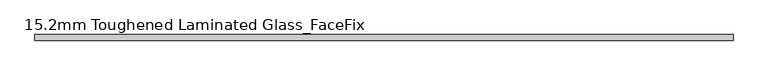
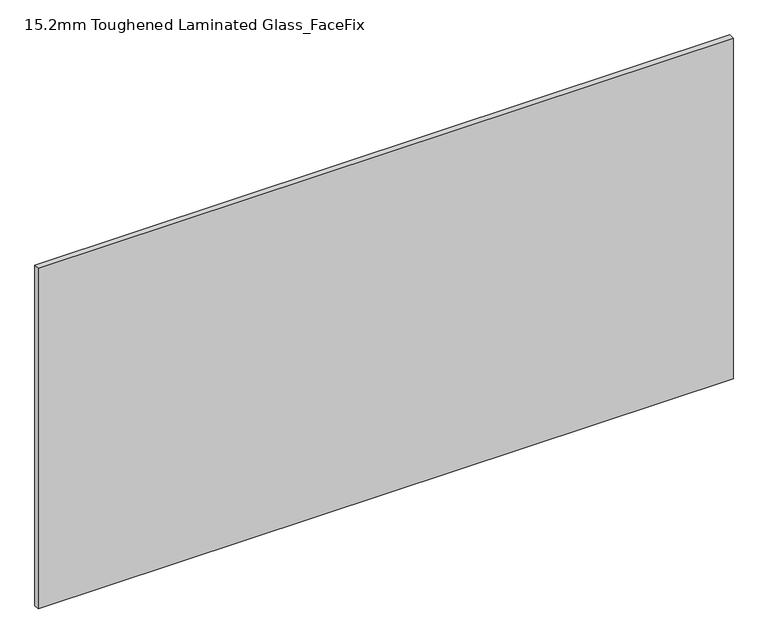
"""IFC4 building model written with IfcOpenShell, lengths in millimetres: plate geometry, 15.2mm Toughened Laminated Glass_FaceFix."""

from ifc_helpers import new_model, si_unit, origin, origin_with_axes, place, context, project, spatial, polyline, outline, extrude, source, transform, mapped, element, save


def plate_15_2mm_toughened_laminated_glass_facefix_f5e7c9a7(model_context):
    return source(origin(), model_context, "Body", "SweptSolid", [
        extrude(outline(polyline([(945.0000001, -24.4), (945.0000001, -39.6), (-945.0000001, -39.6), (-945.0000001, -24.4), (945.0000001, -24.4)])), origin_with_axes(), (0.0, 0.0, 1.0), 979.0),
    ])


if __name__ == "__main__":
    model = new_model("IFC4")
    model_context = context("Model", 3, world=origin())
    ifc_project = project(units=[si_unit("LENGTHUNIT", "METRE", prefix="MILLI")], contexts=[model_context])
    site = spatial("IfcSite", under=ifc_project)
    building = spatial("IfcBuilding", under=site)
    placement = place(None, origin())
    plate_15_2mm_toughened_laminated_glass_facefix_shape = plate_15_2mm_toughened_laminated_glass_facefix_f5e7c9a7(model_context)
    element("IfcPlate", 1, ObjectType="15.2mm Toughened Laminated Glass_FaceFix", at=placement, inside=building, context=model_context, shape_type="MappedRepresentation", body=[
        mapped(plate_15_2mm_toughened_laminated_glass_facefix_shape, transform((0.0, 0.0, 0.0), x_axis=(1.0, 0.0, 0.0), y_axis=(0.0, 1.0, 0.0), z_axis=(0.0, 0.0, 1.0))),
    ])
    save(model, "model.ifc")
